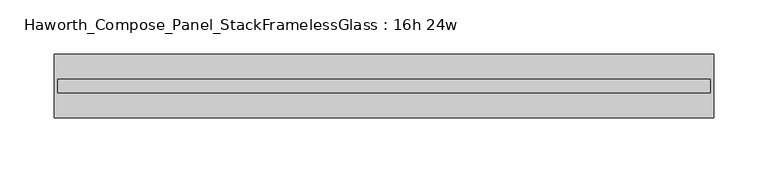
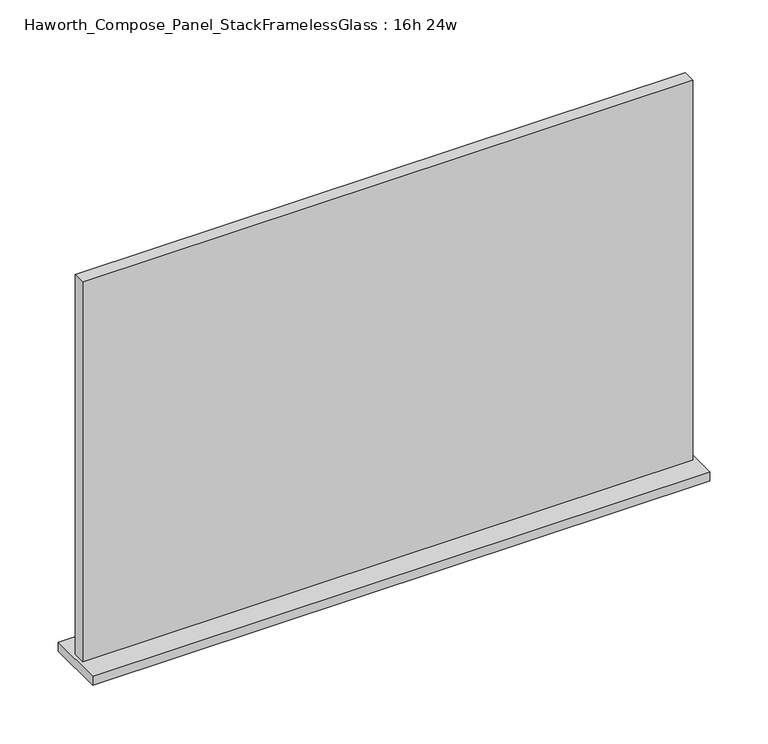
"""IFC4 building model written with IfcOpenShell, lengths in millimetres: furniture geometry, Haworth_Compose_Panel_StackFramelessGlass : 16h 24w."""

from ifc_helpers import new_model, si_unit, frame, origin, place, context, project, spatial, polyline, outline, extrude, source, transform, mapped, element, save


def haworth_compose_panel_stackframelessglass_16h_24w_b233d1e3(model_context):
    return source(origin(), model_context, "Body", "SweptSolid", [
        extrude(outline(polyline([(304.0652902, -27.3093594), (-299.1847098, -27.3093594), (-299.1847098, -14.6093594), (304.0652902, -14.6093594), (304.0652902, -27.3093594)])), frame((0.0, 0.0, 1279.525), z_axis=(0.0, 0.0, 1.0), x_axis=(1.0, 0.0, 0.0)), (0.0, 0.0, 1.0), 396.875),
        extrude(outline(polyline([(-302.3597098, -50.3281094), (-302.3597098, 8.4093906), (307.2402902, 8.4093906), (307.2402902, -50.3281094), (-302.3597098, -50.3281094)])), frame((0.0, 0.0, 1270.0), z_axis=(0.0, 0.0, 1.0), x_axis=(1.0, 0.0, 0.0)), (0.0, 0.0, 1.0), 9.525),
    ])


if __name__ == "__main__":
    model = new_model("IFC4")
    model_context = context("Model", 3, world=origin())
    ifc_project = project(units=[si_unit("LENGTHUNIT", "METRE", prefix="MILLI")], contexts=[model_context])
    site = spatial("IfcSite", under=ifc_project)
    building = spatial("IfcBuilding", under=site)
    placement = place(None, origin())
    haworth_compose_panel_stackframelessglass_16h_24w_shape = haworth_compose_panel_stackframelessglass_16h_24w_b233d1e3(model_context)
    element("IfcFurniture", 1, ObjectType="Haworth_Compose_Panel_StackFramelessGlass : 16h 24w", at=placement, inside=building, context=model_context, shape_type="MappedRepresentation", body=[
        mapped(haworth_compose_panel_stackframelessglass_16h_24w_shape, transform((0.0, 0.0, 0.0), x_axis=(1.0, 0.0, 0.0), y_axis=(0.0, 1.0, 0.0), z_axis=(0.0, 0.0, 1.0))),
    ])
    save(model, "model.ifc")
